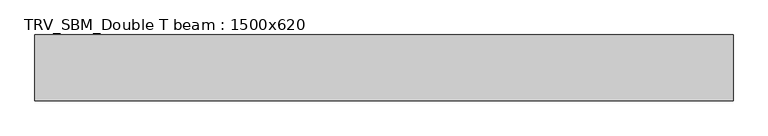
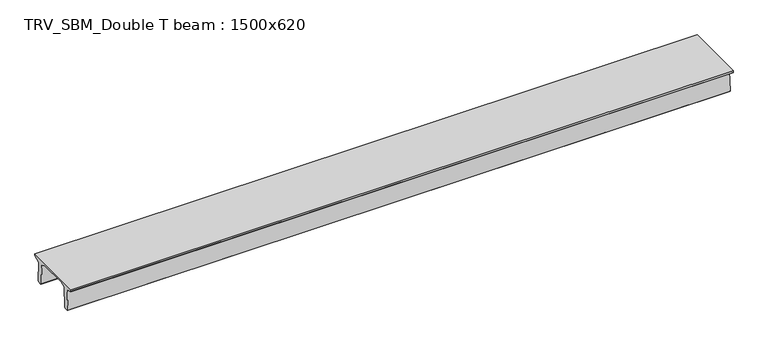
"""IFC4 building model written with IfcOpenShell, lengths in millimetres: beam geometry, TRV_SBM_Double T beam : 1500x620."""

from ifc_helpers import new_model, si_unit, frame, origin, place, context, project, spatial, polyline, outline, extrude, source, transform, mapped, element, save


def trv_sbm_double_t_beam_1500x620_79b5fbb1(model_context):
    return source(origin(), model_context, "Body", "SweptSolid", [
        extrude(outline(polyline([(-765.0, 215.0), (-765.0, 260.0), (735.0, 260.0), (735.0, 215.0), (728.2094488, 201.315559), (578.0626443, 140.6523122), (594.8277662, -339.4379646), (574.2657308, -360.0), (484.2657308, -360.0), (464.786332, -340.5206011), (447.8600761, 144.18395), (338.3237744, 210.0), (-367.4555014, 210.0), (-476.5389732, 151.9992892), (-507.0080378, -339.3850967), (-527.622941, -360.0), (-615.122941, -360.0), (-637.1143055, -338.0086356), (-606.1572167, 162.687806), (-761.3068466, 204.260024), (-765.0, 215.0)])), frame((-7906.5, 0.0, 0.0), z_axis=(1.0, 0.0, 0.0), x_axis=(0.0, 1.0, 0.0)), (0.0, 0.0, 1.0), 15890.0),
    ])


if __name__ == "__main__":
    model = new_model("IFC4")
    model_context = context("Model", 3, world=origin())
    ifc_project = project(units=[si_unit("LENGTHUNIT", "METRE", prefix="MILLI")], contexts=[model_context])
    site = spatial("IfcSite", under=ifc_project)
    building = spatial("IfcBuilding", under=site)
    placement = place(None, origin())
    trv_sbm_double_t_beam_1500x620_shape = trv_sbm_double_t_beam_1500x620_79b5fbb1(model_context)
    element("IfcBeam", 1, ObjectType="TRV_SBM_Double T beam : 1500x620", at=placement, inside=building, context=model_context, shape_type="MappedRepresentation", body=[
        mapped(trv_sbm_double_t_beam_1500x620_shape, transform((0.0, 0.0, 0.0), x_axis=(1.0, 0.0, 0.0), y_axis=(0.0, 1.0, 0.0), z_axis=(0.0, 0.0, 1.0))),
    ])
    save(model, "model.ifc")
